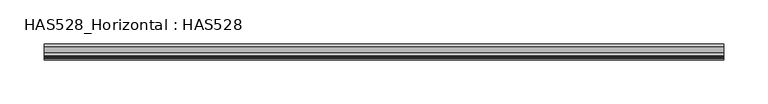
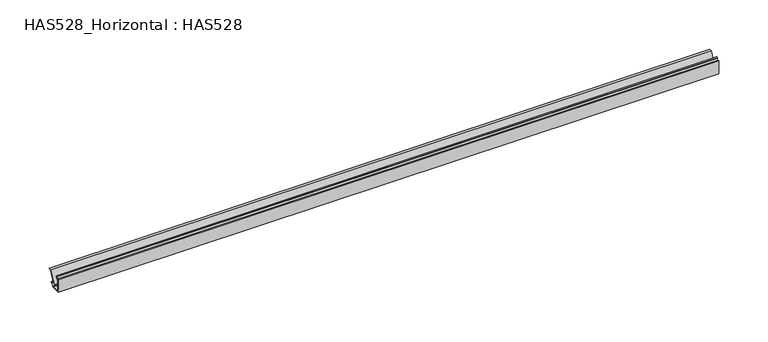
"""IFC4 building model written with IfcOpenShell, lengths in millimetres: beam geometry, HAS528_Horizontal : HAS528."""

from ifc_helpers import new_model, si_unit, point, frame, frame_2d, origin, place, context, project, spatial, polyline, circle_curve, trimmed, segment, composite_curve, outline, extrude, source, transform, mapped, element, save


def has528_horizontal_has528_e75794b7(model_context):
    return source(origin(), model_context, "Body", "SweptSolid", [
        extrude(outline(composite_curve([segment(polyline([(15.4225352, -1.056338), (9.272437, -15.0531132)]), True, "CONTINUOUS"), segment(trimmed(circle_curve(frame_2d((9.6484855, -15.2183467)), 0.4107488), [point((9.272437, -15.0531132))], [point((9.8048781, -15.5981571))], True, "CARTESIAN"), True, "CONTINUOUS"), segment(polyline([(9.8048781, -15.5981571), (13.3777181, -14.1269877)]), True, "CONTINUOUS"), segment(trimmed(circle_curve(frame_2d((13.5345394, -14.5078395)), 0.411875), [point((13.3777181, -14.1269877))], [point((13.9290441, -14.6261909))], False, "CARTESIAN"), True, "CONTINUOUS"), segment(polyline([(13.9290441, -14.6261909), (13.3098592, -16.6901408), (11.8309859, -16.6901408), (11.8309859, -19.2253521), (0.0, -19.2253521), (0.0, -3.1690141), (1.6901408, -3.3802817), (3.1690141, -1.9014085), (2.7464789, -1.056338)]), True, "CONTINUOUS"), segment(trimmed(circle_curve(frame_2d((3.1852654, -0.8775731)), 0.4738043), [point((2.7464789, -1.056338))], [point((3.5915493, -0.6338028))], False, "CARTESIAN"), True, "CONTINUOUS"), segment(polyline([(3.5915493, -0.6338028), (4.4630282, -2.0862676), (1.056338, -5.4929577), (1.056338, -18.1690141), (10.3521127, -18.1690141), (10.3521127, -16.6901408), (9.5070423, -16.6901408), (8.2394366, -16.056338), (8.2394366, -14.7887324), (14.9813587, 0.0), (18.1690141, 0.0), (17.1126761, -1.056338), (15.4225352, -1.056338)]), True, "CONTINUOUS")], self_intersect=False)), frame((-386.0, 0.0, 0.0), z_axis=(1.0, 0.0, 0.0), x_axis=(0.0, 1.0, 0.0)), (0.0, 0.0, 1.0), 772.0),
    ])


if __name__ == "__main__":
    model = new_model("IFC4")
    model_context = context("Model", 3, world=origin())
    ifc_project = project(units=[si_unit("LENGTHUNIT", "METRE", prefix="MILLI")], contexts=[model_context])
    site = spatial("IfcSite", under=ifc_project)
    building = spatial("IfcBuilding", under=site)
    placement = place(None, origin())
    has528_horizontal_has528_shape = has528_horizontal_has528_e75794b7(model_context)
    element("IfcBeam", 1, ObjectType="HAS528_Horizontal : HAS528", at=placement, inside=building, context=model_context, shape_type="MappedRepresentation", body=[
        mapped(has528_horizontal_has528_shape, transform((0.0, 0.0, 0.0), x_axis=(1.0, 0.0, 0.0), y_axis=(0.0, 1.0, 0.0), z_axis=(0.0, 0.0, 1.0))),
    ])
    save(model, "model.ifc")
